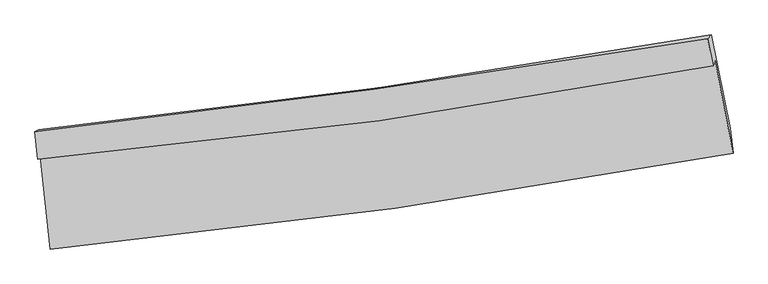
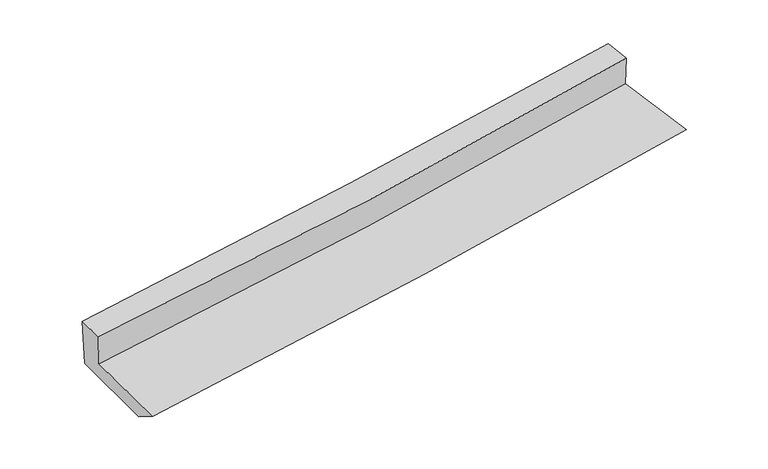
"""IFC4 building model written with IfcOpenShell, lengths in millimetres: proxy geometry."""

from ifc_helpers import new_model, si_unit, frame, origin, place, context, project, spatial, source, transform, mapped, element, save
from ifc_brep_helpers import plane_surface, spline_curve, spline_surface, advanced_brep


def generic_models_737e2e2c(model_context):
    return source(origin(), model_context, "Body", "AdvancedBrep", [
        advanced_brep(
        [(-2305.2552898, -1829.4147534, 1750.3627058), (-2237.9618141, -2455.6825936, 1668.6934558), (2363.1025609, -1809.4106336, 2072.6863766), (2241.9674729, -1185.8694351, 2121.7920965), (-2321.7078187, -1852.0517446, 1997.8713605), (2227.8280053, -1222.4526348, 2362.5619462), (-2341.6610944, -1665.6134052, 2021.1254713), (2191.5905345, -1039.234706, 2384.3738943), (-2315.3424478, -1650.4409976, 1652.4318245), (2217.4079813, -1013.0445093, 2032.0185533), (-2247.1284769, -2275.1968061, 1556.5969511), (2343.7610816, -1640.7799061, 1932.0873022)],
        [
            (0, 1),
            (1, 2, spline_curve(3, [(-2237.9618141, -2455.6825936, 1668.6934558), (-1461.559338588, -2381.33118359, 1746.798315963), (-686.965115935, -2289.747096453, 1819.73901945), (846.667567253, -2073.794745895, 1954.244990184), (1605.761469403, -1949.954846737, 2015.968593826), (2363.1025609, -1809.4106336, 2072.6863766)], [4, 2, 4], [0.0, 7.665683177451022, 15.212934386389577])),
            (2, 3),
            (3, 0, spline_curve(3, [(2241.9674729, -1185.8694351, 2121.7920965), (1494.546882861, -1323.822992876, 2061.341918503), (744.869060425, -1446.13378441, 2000.409130121), (-770.800463166, -1661.143676947, 1876.614598152), (-1536.863561805, -1753.347991421, 1813.737589828), (-2305.2552898, -1829.4147534, 1750.3627058)], [4, 2, 4], [0.0, 7.547251208938555, 15.212934386389577])),
            (4, 0),
            (3, 5),
            (5, 4, spline_curve(3, [(2227.8280053, -1222.4526348, 2362.5619462), (1480.44284288, -1363.197314498, 2304.265938646), (730.593106815, -1485.770372014, 2244.971478328), (-785.840879259, -1696.211517263, 2123.439531261), (-1552.503084321, -1783.504829669, 2061.170462926), (-2321.7078187, -1852.0517446, 1997.8713605)], [4, 2, 4], [0.0, 7.501523383688341, 15.120761171810488])),
            (6, 4),
            (5, 7),
            (7, 6, spline_curve(3, [(2191.5905345, -1039.234706, 2384.3738943), (1444.53010837, -1162.776485202, 2328.359092703), (696.179974162, -1276.416925337, 2270.332431034), (-814.863108077, -1485.523007942, 2149.313259488), (-1577.596850383, -1580.675467689, 2086.257113334), (-2341.6610944, -1665.6134052, 2021.1254713)], [4, 2, 4], [0.0, 7.487169026289813, 15.091827207481332])),
            (8, 6),
            (7, 9),
            (9, 8, spline_curve(3, [(2217.4079813, -1013.0445093, 2032.0185533), (1471.504126133, -1144.491546318, 1972.712370876), (723.777898149, -1263.01929567, 1911.686798115), (-787.081269095, -1475.893433539, 1785.212273544), (-1550.27185094, -1569.831180322, 1719.708936769), (-2315.3424478, -1650.4409976, 1652.4318245)], [4, 2, 4], [0.0, 7.474999417099713, 15.067297022783396])),
            (10, 8),
            (9, 11),
            (11, 10, spline_curve(3, [(2343.7610816, -1640.7799061, 1932.0873022), (1589.318377977, -1782.307980151, 1869.467054068), (832.519702602, -1905.671039832, 1807.107618662), (-697.70229647, -2117.717906107, 1681.935918826), (-1471.200140799, -2205.827146324, 1619.131903506), (-2247.1284769, -2275.1968061, 1556.5969511)], [4, 2, 4], [0.0, 7.5238616888809755, 15.165788316368259])),
            (1, 10),
            (11, 2),
        ],
        [
            spline_surface(3, 3, [[(-2305.2552898, -1829.4147534, 1750.3627058), (-1536.863561893, -1753.347991548, 1813.737589753), (-770.800463263, -1661.143676997, 1876.614598254), (744.86906052, -1446.13378436, 2000.409130021), (1494.546882828, -1323.822992795, 2061.3419184), (2241.9674729, -1185.8694351, 2121.7920965)], [(-2282.824131225, -2038.170700146, 1723.139622463), (-1511.762154127, -1962.675722259, 1791.424498464), (-742.855347445, -1870.678150131, 1857.656071925), (778.801896057, -1655.354104918, 1985.021083422), (1531.618411683, -1532.533610735, 2046.21747685), (2282.345835588, -1393.716501261, 2105.42352319)], [(-2260.392972675, -2246.926646854, 1695.916539137), (-1486.660746387, -2172.003452932, 1769.111407186), (-714.910231627, -2080.212623223, 1838.697545667), (812.734731593, -1864.574425433, 1969.633036893), (1568.689940474, -1741.244228691, 2031.09303533), (2322.724198212, -1601.563567439, 2089.05494991)], [(-2237.9618141, -2455.6825936, 1668.6934558), (-1461.559338622, -2381.331183643, 1746.798315897), (-686.965115809, -2289.747096356, 1819.739019338), (846.667567129, -2073.79474599, 1954.244990294), (1605.761469328, -1949.954846631, 2015.968593779), (2363.1025609, -1809.4106336, 2072.6863766)]], [4, 4], [4, 2, 4], [0.0, 2.0900033254251307], [0.0, 7.665683177451022, 15.212934386389577]),
            spline_surface(3, 3, [[(-2321.7078187, -1852.0517446, 1997.8713605), (-1552.503084379, -1783.50482959, 2061.170463044), (-785.840879199, -1696.211517196, 2123.439531231), (730.593106755, -1485.770372081, 2244.971478358), (1480.442842889, -1363.197314492, 2304.265938737), (2227.8280053, -1222.4526348, 2362.5619462)], [(-2316.223642386, -1844.506080869, 1915.368475591), (-1547.289910202, -1773.452550245, 1978.692838605), (-780.827407215, -1684.522237127, 2041.16455359), (735.351758016, -1472.558176171, 2163.450695596), (1485.14418952, -1350.072540579, 2223.291265292), (2232.541161152, -1210.258234886, 2282.305329634)], [(-2310.739466114, -1836.960417131, 1832.865590709), (-1542.076736069, -1763.400270893, 1896.215214192), (-775.813935247, -1672.832957066, 1958.889575896), (740.11040926, -1459.34598027, 2081.929912782), (1489.845536196, -1336.947766709, 2142.316591845), (2237.254317048, -1198.063835014, 2202.048713066)], [(-2305.2552898, -1829.4147534, 1750.3627058), (-1536.863561893, -1753.347991548, 1813.737589753), (-770.800463263, -1661.143676997, 1876.614598254), (744.86906052, -1446.13378436, 2000.409130021), (1494.546882828, -1323.822992795, 2061.3419184), (2241.9674729, -1185.8694351, 2121.7920965)]], [4, 4], [4, 2, 4], [0.0, 0.8168007173628046], [0.0, 7.619237788122146, 15.120761171810488]),
            spline_surface(3, 3, [[(-2341.6610944, -1665.6134052, 2021.1254713), (-1577.596850321, -1580.675467655, 2086.257113266), (-814.863108136, -1485.523008038, 2149.313259374), (696.17997422, -1276.416925241, 2270.332431147), (1444.530108334, -1162.776485133, 2328.359092722), (2191.5905345, -1039.234706, 2384.3738943)], [(-2335.010002497, -1727.759518309, 2013.374101036), (-1569.23226167, -1648.285254942, 2077.894896528), (-805.189031818, -1555.752511105, 2140.688683339), (707.651018404, -1346.201407536, 2261.87878023), (1456.501019865, -1229.583428257, 2320.328041405), (2203.669691446, -1100.307348938, 2377.103244945)], [(-2328.358910603, -1789.905631491, 2005.622730764), (-1560.867673029, -1715.895042303, 2069.532679782), (-795.514955518, -1625.982014129, 2132.064107266), (719.122062571, -1415.985889786, 2253.425129274), (1468.471931357, -1296.390371368, 2312.296990054), (2215.748848354, -1161.379991862, 2369.832595555)], [(-2321.7078187, -1852.0517446, 1997.8713605), (-1552.503084379, -1783.50482959, 2061.170463044), (-785.840879199, -1696.211517196, 2123.439531231), (730.593106755, -1485.770372081, 2244.971478358), (1480.442842889, -1363.197314492, 2304.265938737), (2227.8280053, -1222.4526348, 2362.5619462)]], [4, 4], [4, 2, 4], [0.0, 0.7019181603596861], [0.0, 7.604658181191519, 15.091827207481332]),
            spline_surface(3, 3, [[(-2315.3424478, -1650.4409976, 1652.4318245), (-1550.271851001, -1569.831180408, 1719.708936697), (-787.081269155, -1475.89343362, 1785.212273509), (723.777898208, -1263.01929559, 1911.686798149), (1471.504126083, -1144.491546328, 1972.712370931), (2217.4079813, -1013.0445093, 2032.0185533)], [(-2324.115330012, -1655.498466801, 1775.32970678), (-1559.38018412, -1573.445942825, 1841.891662234), (-796.341882164, -1479.103291759, 1906.579268797), (714.578590197, -1267.485172139, 2031.235342481), (1462.512786832, -1150.586525952, 2091.261278197), (2208.802165699, -1021.774574889, 2149.470333635)], [(-2332.888212188, -1660.555935999, 1898.22758902), (-1568.488517202, -1577.060705238, 1964.074387729), (-805.602495127, -1482.3131499, 2027.946264087), (705.379282231, -1271.951048692, 2150.783886815), (1453.521447585, -1156.681505509, 2209.810185457), (2200.196350101, -1030.504640411, 2266.922113965)], [(-2341.6610944, -1665.6134052, 2021.1254713), (-1577.596850321, -1580.675467655, 2086.257113266), (-814.863108136, -1485.523008038, 2149.313259374), (696.17997422, -1276.416925241, 2270.332431147), (1444.530108334, -1162.776485133, 2328.359092722), (2191.5905345, -1039.234706, 2384.3738943)]], [4, 4], [4, 2, 4], [0.0, 1.1898192429561094], [0.0, 7.592297605683683, 15.067297022783396]),
            spline_surface(3, 3, [[(-2247.1284769, -2275.1968061, 1556.5969511), (-1471.200140724, -2205.827146215, 1619.131903603), (-697.702296568, -2117.717906067, 1681.935918752), (832.519702698, -1905.671039872, 1807.107618735), (1589.318377977, -1782.307980026, 1869.467053949), (2343.7610816, -1640.7799061, 1932.0873022)], [(-2269.866467183, -2066.944869946, 1588.541908908), (-1497.557377466, -1993.828490958, 1652.65758131), (-727.495287425, -1903.77641525, 1716.361370331), (796.27243454, -1691.453791776, 1841.9673452), (1550.046960654, -1569.702502117, 1903.88215962), (2301.643381474, -1431.534773823, 1965.397719243)], [(-2292.604457517, -1858.692933754, 1620.486866692), (-1523.914614259, -1781.829835665, 1686.183258991), (-757.288278298, -1689.834924437, 1750.78682193), (760.025166366, -1477.236543685, 1876.827071684), (1510.775543407, -1357.097024237, 1938.297265261), (2259.525681426, -1222.289641577, 1998.708136257)], [(-2315.3424478, -1650.4409976, 1652.4318245), (-1550.271851001, -1569.831180408, 1719.708936697), (-787.081269155, -1475.89343362, 1785.212273509), (723.777898208, -1263.01929559, 1911.686798149), (1471.504126083, -1144.491546328, 1972.712370931), (2217.4079813, -1013.0445093, 2032.0185533)]], [4, 4], [4, 2, 4], [0.0, 2.158987515968976], [0.0, 7.641926627487283, 15.165788316368259]),
            spline_surface(3, 3, [[(-2237.9618141, -2455.6825936, 1668.6934558), (-1461.559338622, -2381.331183643, 1746.798315897), (-686.965115809, -2289.747096356, 1819.739019338), (846.667567129, -2073.79474599, 1954.244990294), (1605.761469328, -1949.954846631, 2015.968593779), (2363.1025609, -1809.4106336, 2072.6863766)], [(-2241.017368397, -2395.520664429, 1631.327954221), (-1464.772939353, -2322.82983783, 1704.242845121), (-690.544176064, -2232.404032903, 1773.804652477), (841.951612317, -2017.753510594, 1905.199199775), (1600.280438886, -1894.072557766, 1967.134747156), (2356.655401141, -1753.200391103, 2025.820018453)], [(-2244.072922603, -2335.358735271, 1593.962452679), (-1467.986539993, -2264.328492028, 1661.68737438), (-694.123236313, -2175.06096952, 1727.870285613), (837.235657511, -1961.712275268, 1856.153409254), (1594.79940842, -1838.190268891, 1918.300900573), (2350.208241359, -1696.990148597, 1978.953660347)], [(-2247.1284769, -2275.1968061, 1556.5969511), (-1471.200140724, -2205.827146215, 1619.131903603), (-697.702296568, -2117.717906067, 1681.935918752), (832.519702698, -1905.671039872, 1807.107618735), (1589.318377977, -1782.307980026, 1869.467053949), (2343.7610816, -1640.7799061, 1932.0873022)]], [4, 4], [4, 2, 4], [0.0, 0.7289623349110415], [0.0, 7.700843724938757, 15.28271226391703]),
            plane_surface(frame((2264.2762727, -1318.4653041, 2150.9200282), z_axis=(0.9792992262149784, 0.18352291436744195, 0.08539534786406801), x_axis=(-0.07287519725722341, -0.07392736276793986, 0.9945973811844159))),
            plane_surface(frame((-2294.8428236, -1954.7333834, 1774.5136282), z_axis=(-0.9924783670573912, -0.09688461359007723, -0.07483356581505071), x_axis=(-0.10594971663787058, 0.986022783007798, 0.1285835484574592))),
        ],
        [
            (0, [[1, 2, 3, 4]]),
            (1, [[5, -4, 6, 7]]),
            (2, [[8, -7, 9, 10]]),
            (3, [[11, -10, 12, 13]]),
            (4, [[14, -13, 15, 16]]),
            (5, [[17, -16, 18, -2]]),
            (6, [[-12, -9, -6, -3, -18, -15]]),
            (7, [[-1, -5, -8, -11, -14, -17]]),
        ],
    ),
    ])


if __name__ == "__main__":
    model = new_model("IFC4")
    model_context = context("Model", 3, world=origin())
    ifc_project = project(units=[si_unit("LENGTHUNIT", "METRE", prefix="MILLI")], contexts=[model_context])
    site = spatial("IfcSite", under=ifc_project)
    building = spatial("IfcBuilding", under=site)
    placement = place(None, origin())
    generic_models_shape = generic_models_737e2e2c(model_context)
    element("IfcBuildingElementProxy", 1, Name="Generic Models", at=placement, inside=building, context=model_context, shape_type="MappedRepresentation", body=[
        mapped(generic_models_shape, transform((0.0, 0.0, 0.0), x_axis=(1.0, 0.0, 0.0), y_axis=(0.0, 1.0, 0.0), z_axis=(0.0, 0.0, 1.0))),
    ])
    save(model, "model.ifc")
